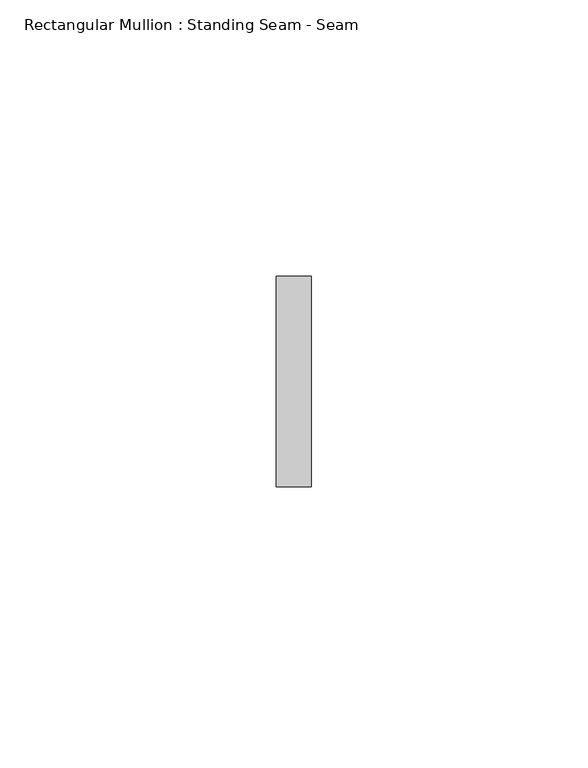
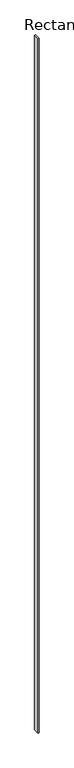
"""IFC4 building model written with IfcOpenShell, lengths in millimetres: member geometry, Rectangular Mullion : Standing Seam - Seam."""

from ifc_helpers import new_model, si_unit, frame, origin, place, context, project, spatial, polyline, outline, extrude, source, transform, mapped, element, save


def rectangular_mullion_standing_seam_seam_e9b54c26(model_context):
    return source(origin(), model_context, "Body", "SweptSolid", [
        extrude(outline(polyline([(3.175, 41.275), (3.175, 3.175), (-3.175, 3.175), (-3.175, 41.275), (3.175, 41.275)])), frame((0.0, 0.0, -4786.9085118), z_axis=(0.0, 0.0, 1.0), x_axis=(1.0, 0.0, 0.0)), (0.0, 0.0, 1.0), 4786.9085118),
    ])


if __name__ == "__main__":
    model = new_model("IFC4")
    model_context = context("Model", 3, world=origin())
    ifc_project = project(units=[si_unit("LENGTHUNIT", "METRE", prefix="MILLI")], contexts=[model_context])
    site = spatial("IfcSite", under=ifc_project)
    building = spatial("IfcBuilding", under=site)
    placement = place(None, origin())
    rectangular_mullion_standing_seam_seam_shape = rectangular_mullion_standing_seam_seam_e9b54c26(model_context)
    element("IfcMember", 1, ObjectType="Rectangular Mullion : Standing Seam - Seam", at=placement, inside=building, context=model_context, shape_type="MappedRepresentation", body=[
        mapped(rectangular_mullion_standing_seam_seam_shape, transform((0.0, 0.0, 0.0), x_axis=(1.0, 0.0, 0.0), y_axis=(0.0, 1.0, 0.0), z_axis=(0.0, 0.0, 1.0))),
    ])
    save(model, "model.ifc")
